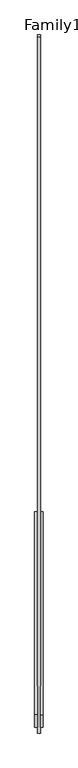
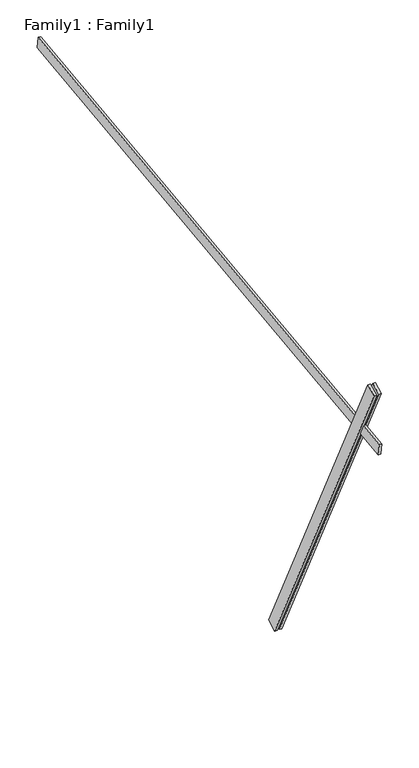
"""IFC4 building model written with IfcOpenShell, lengths in millimetres: proxy geometry, Family1 : Family1."""

from ifc_helpers import new_model, si_unit, frame, origin, place, context, project, spatial, polyline, outline, extrude, source, transform, mapped, element, save


def family1_family1_223b8b24(model_context):
    return source(origin(), model_context, "Body", "SweptSolid", [
        extrude(outline(polyline([(0.0, 0.0), (-100.0000001, 0.0), (-100.0000001, 20.0), (0.0, 20.0), (0.0, 0.0)])), frame((-30.0, -46.3241747, -22.5938096), z_axis=(0.0, -0.4383711467890692, 0.8987940462991711), x_axis=(0.0, -0.8987940462991711, -0.4383711467890692)), (0.0, 0.0, 1.0), 3300.0),
        extrude(outline(polyline([(0.0, 0.0), (-99.9999999, 0.0), (-99.9999999, 20.0), (0.0, 20.0), (0.0, 0.0)])), frame((10.0, -45.270232, -22.0797674), z_axis=(0.0, -0.4383711467890692, 0.8987940462991711), x_axis=(0.0, -0.8987940462991711, -0.4383711467890692)), (0.0, 0.0, 1.0), 3300.0),
        extrude(outline(polyline([(0.0, 20.0), (5000.0, 20.0), (5000.0, 0.0), (0.0, 0.0), (0.0, 20.0)])), frame((-10.0, 3441.8965746, 3039.5701825), z_axis=(0.0, -0.12186934340515004, 0.9925461516413218), x_axis=(0.0, -0.9925461516413218, -0.12186934340515004)), (0.0, 0.0, 1.0), 100.0),
    ])


if __name__ == "__main__":
    model = new_model("IFC4")
    model_context = context("Model", 3, world=origin())
    ifc_project = project(units=[si_unit("LENGTHUNIT", "METRE", prefix="MILLI")], contexts=[model_context])
    site = spatial("IfcSite", under=ifc_project)
    building = spatial("IfcBuilding", under=site)
    placement = place(None, origin())
    family1_family1_shape = family1_family1_223b8b24(model_context)
    element("IfcBuildingElementProxy", 1, Name="Family1 : Family1", ObjectType="Family1 : Family1", at=placement, inside=building, context=model_context, shape_type="MappedRepresentation", body=[
        mapped(family1_family1_shape, transform((0.0, 0.0, 0.0), x_axis=(1.0, 0.0, 0.0), y_axis=(0.0, 1.0, 0.0), z_axis=(0.0, 0.0, 1.0))),
    ])
    save(model, "model.ifc")
